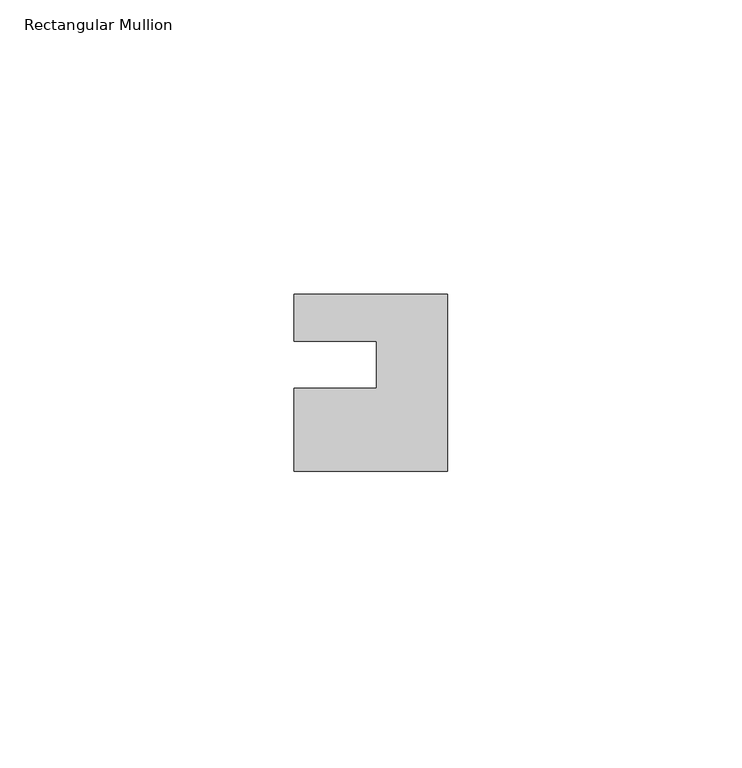
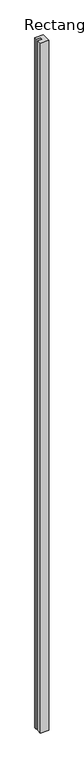
"""IFC4 building model written with IfcOpenShell, lengths in millimetres: member geometry, Rectangular Mullion."""

from ifc_helpers import new_model, si_unit, frame, origin, place, context, project, spatial, polyline, outline, extrude, source, transform, mapped, element, save


def rectangular_mullion_81953b12(model_context):
    return source(origin(), model_context, "Body", "SweptSolid", [
        extrude(outline(polyline([(0.0, 7.94), (0.0, -22.06), (-26.0, -22.06), (-26.0, -8.0), (-12.0, -8.0), (-12.0, 0.001), (-26.0, 0.001), (-26.0, 7.94), (0.0, 7.94)])), frame((0.0, 0.0, -2265.0), z_axis=(0.0, 0.0, 1.0), x_axis=(1.0, 0.0, 0.0)), (0.0, 0.0, 1.0), 2265.0),
    ])


if __name__ == "__main__":
    model = new_model("IFC4")
    model_context = context("Model", 3, world=origin())
    ifc_project = project(units=[si_unit("LENGTHUNIT", "METRE", prefix="MILLI")], contexts=[model_context])
    site = spatial("IfcSite", under=ifc_project)
    building = spatial("IfcBuilding", under=site)
    placement = place(None, origin())
    rectangular_mullion_shape = rectangular_mullion_81953b12(model_context)
    element("IfcMember", 1, ObjectType="Rectangular Mullion", at=placement, inside=building, context=model_context, shape_type="MappedRepresentation", body=[
        mapped(rectangular_mullion_shape, transform((0.0, 0.0, 0.0), x_axis=(1.0, 0.0, 0.0), y_axis=(0.0, 1.0, 0.0), z_axis=(0.0, 0.0, 1.0))),
    ])
    save(model, "model.ifc")
